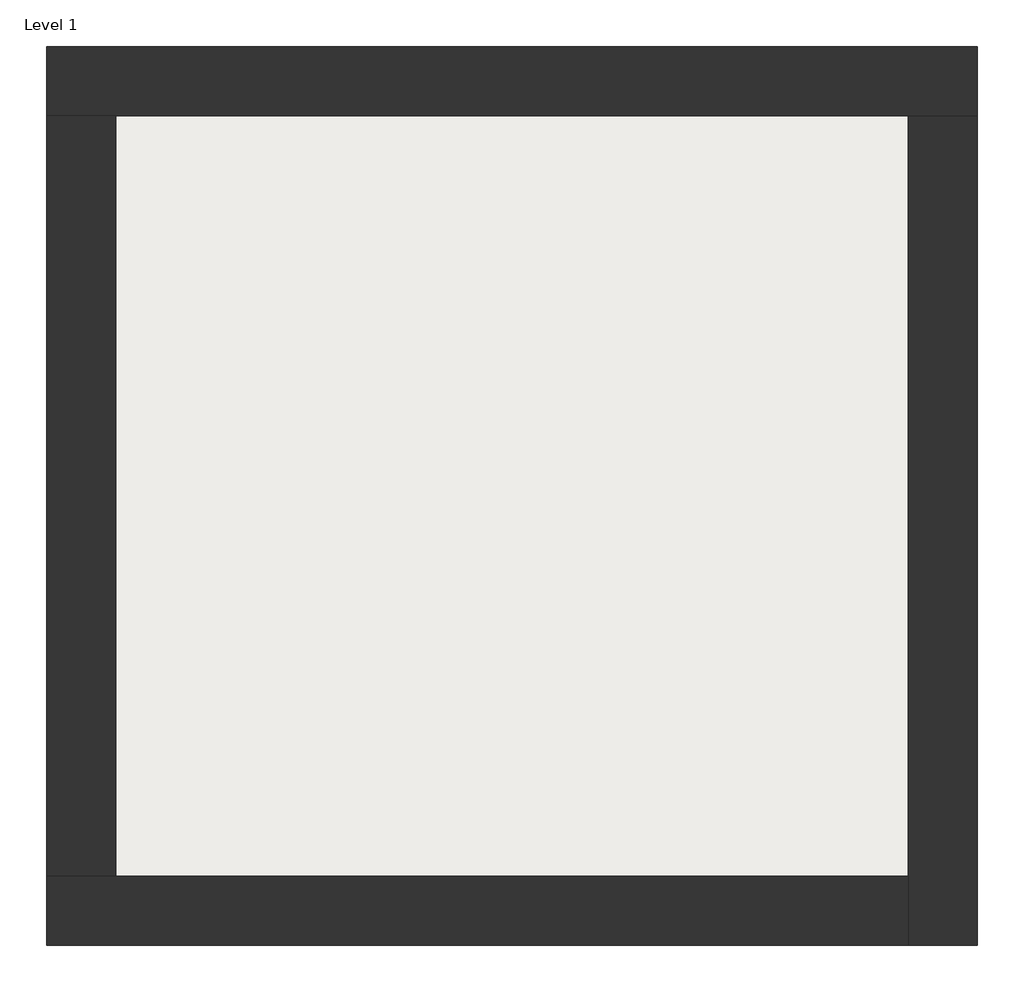
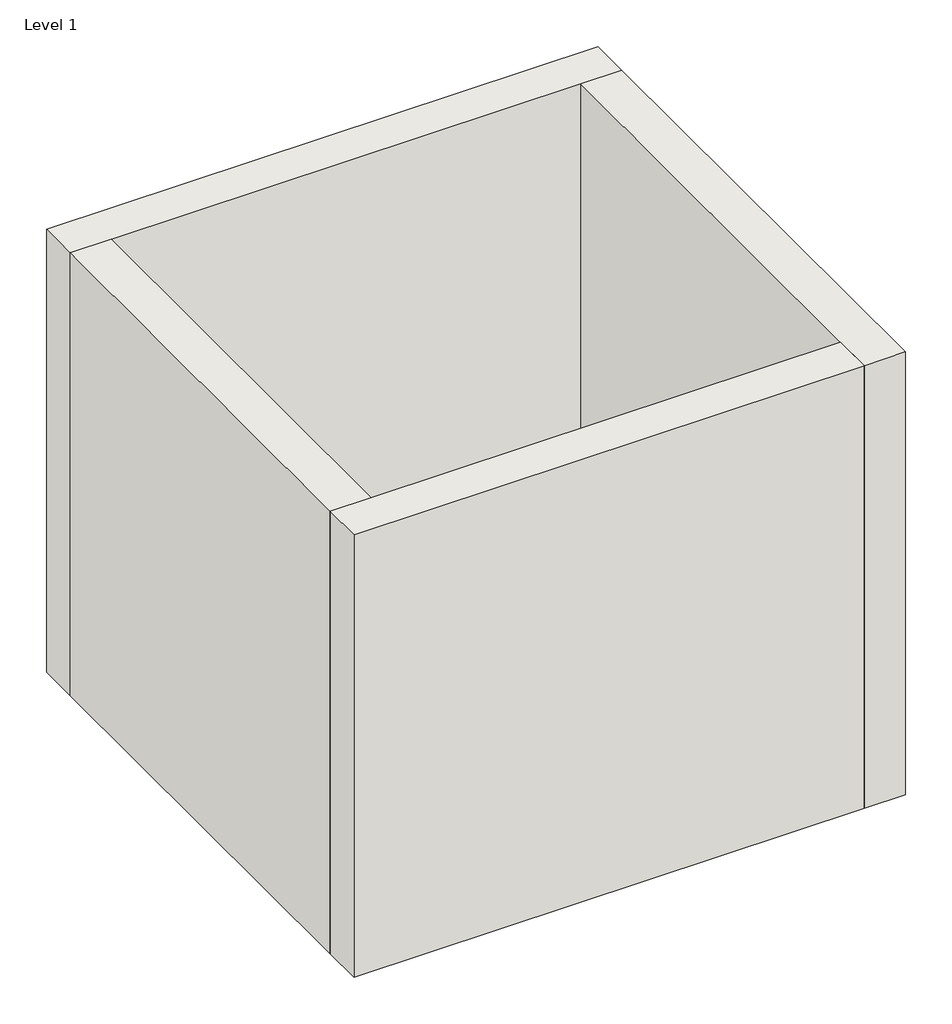
# One storey: 4 walls, 1 slab.
"""IFC4 building model written with IfcOpenShell, lengths in millimetres."""

from ifc_helpers import new_model, si_unit, frame, origin, origin_with_axes, place, context, project, spatial, polyline, outline, extrude, faceted_brep, element, save

model = new_model("IFC4")

# Units and contexts
model_context = context("Model", 3, world=origin())
ifc_project = project(units=[si_unit("LENGTHUNIT", "METRE", prefix="MILLI")], contexts=[model_context])

# Site, building, storey
site = spatial("IfcSite", under=ifc_project)
building = spatial("IfcBuilding", under=site)
storey = spatial("IfcBuildingStorey", under=building, Name="Level 1", Elevation=0.0)

# Slab
placement = place(None, origin())
element("IfcSlab", 1, at=placement, inside=storey, context=model_context, shape_type="SweptSolid", body=[
    extrude(outline(polyline([(-10869.3573003, 6934.2750283), (-10869.3573003, 3058.2750283), (-14907.8573003, 3058.2750283), (-14907.8573003, 6934.2750283), (-10869.3573003, 6934.2750283)])), frame((0.0, 0.0, 1.0), z_axis=(0.0, 0.0, 1.0), x_axis=(1.0, 0.0, 0.0)), (0.0, 0.0, 1.0), 29.0),
])

# Walls
element("IfcWall", 2, ObjectType="Exterior - Brick on Mtl. Stud", at=placement, inside=storey, context=model_context, shape_type="Brep", body=[
    faceted_brep([(-15244.8573003, 6921.2750283, 0.0), (-14894.8573003, 6921.2750283, 0.0), (-10882.3573003, 6921.2750283, 0.0), (-10532.3573003, 6921.2750283, 0.0), (-10532.3573003, 6921.2750283, 4000.0), (-10882.3573003, 6921.2750283, 4000.0), (-14894.8573003, 6921.2750283, 4000.0), (-15244.8573003, 6921.2750283, 4000.0), (-15244.8573003, 7271.2750283, 0.0), (-15244.8573003, 7271.2750283, 4000.0), (-10532.3573003, 7271.2750283, 4000.0), (-10532.3573003, 7271.2750283, 0.0)], [[[0, 1, 2, 3, 4, 5, 6, 7]], [[8, 9, 10, 11]], [[3, 2, 1, 0, 8, 11]], [[7, 6, 5, 4, 10, 9]], [[0, 7, 9, 8]], [[4, 3, 11, 10]]]),
])
element("IfcWall", 3, ObjectType="Exterior - Brick on Mtl. Stud", at=placement, inside=storey, context=model_context, shape_type="Brep", body=[
    faceted_brep([(-10882.3573003, 6921.2750283, 0.0), (-10882.3573003, 3071.2750283, 0.0), (-10882.3573003, 2721.2750283, 0.0), (-10882.3573003, 2721.2750283, 4000.0), (-10882.3573003, 3071.2750283, 4000.0), (-10882.3573003, 6921.2750283, 4000.0), (-10532.3573003, 6921.2750283, 0.0), (-10532.3573003, 6921.2750283, 4000.0), (-10532.3573003, 2721.2750283, 4000.0), (-10532.3573003, 2721.2750283, 0.0)], [[[0, 1, 2, 3, 4, 5]], [[6, 7, 8, 9]], [[2, 1, 0, 6, 9]], [[5, 4, 3, 8, 7]], [[3, 2, 9, 8]], [[0, 5, 7, 6]]]),
])
element("IfcWall", 4, ObjectType="Exterior - Brick on Mtl. Stud", at=placement, inside=storey, context=model_context, shape_type="Brep", body=[
    faceted_brep([(-10882.3573003, 3071.2750283, 0.0), (-14894.8573003, 3071.2750283, 0.0), (-15244.8573003, 3071.2750283, 0.0), (-15244.8573003, 3071.2750283, 4000.0), (-14894.8573003, 3071.2750283, 4000.0), (-10882.3573003, 3071.2750283, 4000.0), (-10882.3573003, 2721.2750283, 0.0), (-10882.3573003, 2721.2750283, 4000.0), (-15244.8573003, 2721.2750283, 4000.0), (-15244.8573003, 2721.2750283, 0.0)], [[[0, 1, 2, 3, 4, 5]], [[6, 7, 8, 9]], [[2, 1, 0, 6, 9]], [[5, 4, 3, 8, 7]], [[3, 2, 9, 8]], [[0, 5, 7, 6]]]),
])
element("IfcWall", 5, ObjectType="Exterior - Brick on Mtl. Stud", at=placement, inside=storey, context=model_context, shape_type="SweptSolid", body=[
    extrude(outline(polyline([(-14894.8573003, 6921.2750283), (-14894.8573003, 3071.2750283), (-15244.8573003, 3071.2750283), (-15244.8573003, 6921.2750283), (-14894.8573003, 6921.2750283)])), origin_with_axes(), (0.0, 0.0, 1.0), 4000.0),
])

save(model, "model.ifc")
